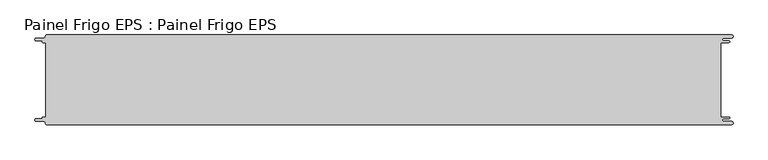
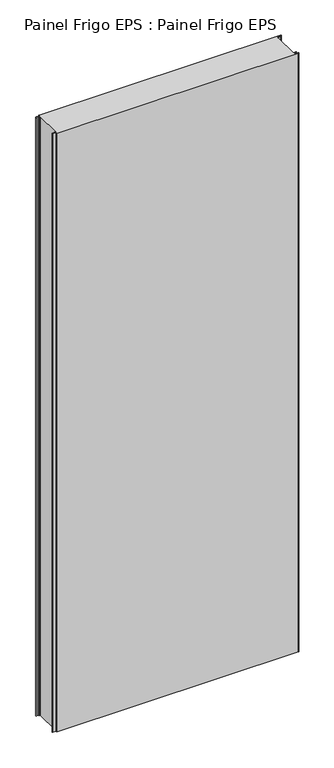
"""IFC4 building model written with IfcOpenShell, lengths in millimetres: proxy geometry, Painel Frigo EPS : Painel Frigo EPS."""

from ifc_helpers import new_model, si_unit, frame, origin, place, context, project, spatial, polyline, circle_curve, source, transform, mapped, element, save
from ifc_brep_helpers import plane_surface, cylinder_surface, revolved_surface, advanced_brep


def painel_frigo_eps_painel_frigo_eps_d40a4fad(model_context):
    return source(origin(), model_context, "Body", "AdvancedBrep", [
        advanced_brep(
        [(-579.5093748, 62.3, 3000.0), (-574.2218362, 62.3, 3000.0), (-574.2218362, -62.2999995, 3000.0), (-579.5093748, -62.2999995, 3000.0), (-580.1093753, -62.9, 3000.0), (-580.1093753, -63.7085185, 3000.0), (-581.5093753, -65.1085185, 3000.0), (-590.4875, -65.1085185, 3000.0), (-590.4875, -69.5085185, 3000.0), (-578.471875, -69.5085185, 3000.0), (-574.921875, -73.0585185, 3000.0), (-572.971875, -75.0, 3000.0), (572.284375, -75.0, 3000.0), (572.284375, -69.725, 3000.0), (559.378125, -69.725, 3000.0), (559.378125, -64.875, 3000.0), (568.0406253, -64.875, 3000.0), (568.0406253, -62.3, 3000.0), (554.1906253, -62.3, 3000.0), (554.1906253, 62.3, 3000.0), (568.0406253, 62.3, 3000.0), (568.0406253, 64.875, 3000.0), (559.378125, 64.875, 3000.0), (559.378125, 69.725, 3000.0), (572.284375, 69.725, 3000.0), (572.284375, 75.0, 3000.0), (-572.971875, 75.0, 3000.0), (-574.921875, 73.05, 3000.0), (-578.471875, 69.5085185, 3000.0), (-590.4875, 69.5085185, 3000.0), (-590.4875, 65.1085187, 3000.0), (-581.5093751, 65.1085187, 3000.0), (-580.1093748, 63.7085184, 3000.0), (-580.1093748, 62.9, 3000.0), (-579.5093748, 62.3, 0.0), (-580.1093748, 62.9, 0.0), (-580.1093748, 63.7085184, 0.0), (-581.5093751, 65.1085187, 0.0), (-590.4875, 65.1085187, 0.0), (-590.4875, 69.5085185, 0.0), (-578.471875, 69.5085185, 0.0), (-574.921875, 73.0585185, 0.0), (-572.971875, 75.0, 0.0), (572.284375, 75.0, 0.0), (572.284375, 69.725, 0.0), (559.378125, 69.725, 0.0), (559.378125, 64.875, 0.0), (568.0406253, 64.875, 0.0), (568.0406253, 62.3, 0.0), (554.1906253, 62.3, 0.0), (554.1906253, -62.3, 0.0), (568.0406253, -62.3, 0.0), (568.0406253, -64.875, 0.0), (559.378125, -64.875, 0.0), (559.378125, -69.725, 0.0), (572.284375, -69.725, 0.0), (572.284375, -75.0, 0.0), (-572.971875, -75.0, 0.0), (-574.921875, -73.05, 0.0), (-578.471875, -69.5085185, 0.0), (-590.4875, -69.5085185, 0.0), (-590.4875, -65.1085185, 0.0), (-581.5093753, -65.1085185, 0.0), (-580.1093753, -63.7085185, 0.0), (-580.1093753, -62.9, 0.0), (-579.5093748, -62.2999995, 0.0), (-574.2218362, -62.2999995, 0.0), (-574.2218362, 62.3, 0.0)],
        [
            (0, 1),
            (1, 2),
            (2, 3),
            (3, 4, circle_curve(frame((-579.5093748, -62.9, 3000.0), z_axis=(0.0, 0.0, 1.0), x_axis=(1.0, 0.0, 0.0)), 0.6000005)),
            (4, 5),
            (5, 6, circle_curve(frame((-581.5093753, -63.7085185, 3000.0), z_axis=(0.0, 0.0, -1.0), x_axis=(1.0, 0.0, 0.0)), 1.4)),
            (6, 7),
            (7, 8, circle_curve(frame((-590.4875, -67.3085185, 3000.0), z_axis=(0.0, 0.0, 1.0), x_axis=(1.0, 0.0, 0.0)), 2.2)),
            (8, 9),
            (9, 10, circle_curve(frame((-578.471875, -73.0585185, 3000.0), z_axis=(0.0, 0.0, -1.0), x_axis=(1.0, 0.0, 0.0)), 3.55)),
            (10, 11, circle_curve(frame((-572.971875, -73.05, 3000.0), z_axis=(0.0, 0.0, 1.0), x_axis=(1.0, 0.0, 0.0)), 1.95)),
            (11, 12),
            (12, 13, circle_curve(frame((572.284375, -72.3625, 3000.0), z_axis=(0.0, 0.0, 1.0), x_axis=(1.0, 0.0, 0.0)), 2.6375)),
            (13, 14),
            (14, 15, circle_curve(frame((559.378125, -67.3, 3000.0), z_axis=(0.0, 0.0, -1.0), x_axis=(1.0, 0.0, 0.0)), 2.425)),
            (15, 16),
            (16, 17, circle_curve(frame((568.0406253, -63.5875, 3000.0), z_axis=(0.0, 0.0, 1.0), x_axis=(1.0, 0.0, 0.0)), 1.2875)),
            (17, 18),
            (18, 19),
            (19, 20),
            (20, 21, circle_curve(frame((568.0406253, 63.5875, 3000.0), z_axis=(0.0, 0.0, 1.0), x_axis=(1.0, 0.0, 0.0)), 1.2875)),
            (21, 22),
            (22, 23, circle_curve(frame((559.378125, 67.3, 3000.0), z_axis=(0.0, 0.0, -1.0), x_axis=(1.0, 0.0, 0.0)), 2.425)),
            (23, 24),
            (24, 25, circle_curve(frame((572.284375, 72.3625, 3000.0), z_axis=(0.0, 0.0, 1.0), x_axis=(1.0, 0.0, 0.0)), 2.6375)),
            (25, 26),
            (26, 27, circle_curve(frame((-572.971875, 73.05, 3000.0), z_axis=(0.0, 0.0, 1.0), x_axis=(1.0, 0.0, 0.0)), 1.95)),
            (27, 28, circle_curve(frame((-578.471875, 73.0585185, 3000.0), z_axis=(0.0, 0.0, -1.0), x_axis=(1.0, 0.0, 0.0)), 3.55)),
            (28, 29),
            (29, 30, circle_curve(frame((-590.4875, 67.3085186, 3000.0), z_axis=(0.0, 0.0, 1.0), x_axis=(1.0, 0.0, 0.0)), 2.1999999)),
            (30, 31),
            (31, 32, circle_curve(frame((-581.5093751, 63.7085184, 3000.0), z_axis=(0.0, 0.0, -1.0), x_axis=(1.0, 0.0, 0.0)), 1.4000003)),
            (32, 33),
            (33, 0, circle_curve(frame((-579.5093748, 62.9, 3000.0), z_axis=(0.0, 0.0, 1.0), x_axis=(1.0, 0.0, 0.0)), 0.6)),
            (34, 35, circle_curve(frame((-579.5093748, 62.9, 0.0), z_axis=(0.0, 0.0, -1.0), x_axis=(1.0, 0.0, 0.0)), 0.6)),
            (35, 36),
            (36, 37, circle_curve(frame((-581.5093751, 63.7085184, 0.0), z_axis=(0.0, 0.0, 1.0), x_axis=(1.0, 0.0, 0.0)), 1.4000003)),
            (37, 38),
            (38, 39, circle_curve(frame((-590.4875, 67.3085186, 0.0), z_axis=(0.0, 0.0, -1.0), x_axis=(1.0, 0.0, 0.0)), 2.1999999)),
            (39, 40),
            (40, 41, circle_curve(frame((-578.471875, 73.0585185, 0.0), z_axis=(0.0, 0.0, 1.0), x_axis=(1.0, 0.0, 0.0)), 3.55)),
            (41, 42, circle_curve(frame((-572.971875, 73.05, 0.0), z_axis=(0.0, 0.0, -1.0), x_axis=(1.0, 0.0, 0.0)), 1.95)),
            (42, 43),
            (43, 44, circle_curve(frame((572.284375, 72.3625, 0.0), z_axis=(0.0, 0.0, -1.0), x_axis=(1.0, 0.0, 0.0)), 2.6375)),
            (44, 45),
            (45, 46, circle_curve(frame((559.378125, 67.3, 0.0), z_axis=(0.0, 0.0, 1.0), x_axis=(1.0, 0.0, 0.0)), 2.425)),
            (46, 47),
            (47, 48, circle_curve(frame((568.0406253, 63.5875, 0.0), z_axis=(0.0, 0.0, -1.0), x_axis=(1.0, 0.0, 0.0)), 1.2875)),
            (48, 49),
            (49, 50),
            (50, 51),
            (51, 52, circle_curve(frame((568.0406253, -63.5875, 0.0), z_axis=(0.0, 0.0, -1.0), x_axis=(1.0, 0.0, 0.0)), 1.2875)),
            (52, 53),
            (53, 54, circle_curve(frame((559.378125, -67.3, 0.0), z_axis=(0.0, 0.0, 1.0), x_axis=(1.0, 0.0, 0.0)), 2.425)),
            (54, 55),
            (55, 56, circle_curve(frame((572.284375, -72.3625, 0.0), z_axis=(0.0, 0.0, -1.0), x_axis=(1.0, 0.0, 0.0)), 2.6375)),
            (56, 57),
            (57, 58, circle_curve(frame((-572.971875, -73.05, 0.0), z_axis=(0.0, 0.0, -1.0), x_axis=(1.0, 0.0, 0.0)), 1.95)),
            (58, 59, circle_curve(frame((-578.471875, -73.0585185, 0.0), z_axis=(0.0, 0.0, 1.0), x_axis=(1.0, 0.0, 0.0)), 3.55)),
            (59, 60),
            (60, 61, circle_curve(frame((-590.4875, -67.3085185, 0.0), z_axis=(0.0, 0.0, -1.0), x_axis=(1.0, 0.0, 0.0)), 2.2)),
            (61, 62),
            (62, 63, circle_curve(frame((-581.5093753, -63.7085185, 0.0), z_axis=(0.0, 0.0, 1.0), x_axis=(1.0, 0.0, 0.0)), 1.4)),
            (63, 64),
            (64, 65, circle_curve(frame((-579.5093748, -62.9, 0.0), z_axis=(0.0, 0.0, -1.0), x_axis=(1.0, 0.0, 0.0)), 0.6000005)),
            (65, 66),
            (66, 67),
            (67, 34),
            (11, 57),
            (56, 12),
            (25, 43),
            (42, 26),
            (0, 34),
            (67, 1),
            (66, 2),
            (65, 3),
            (64, 4),
            (63, 5),
            (62, 6),
            (61, 7),
            (60, 8),
            (59, 9),
            (58, 10),
            (18, 50),
            (49, 19),
            (48, 20),
            (47, 21),
            (46, 22),
            (45, 23),
            (44, 24),
            (41, 27),
            (40, 28),
            (39, 29),
            (38, 30),
            (37, 31),
            (36, 32),
            (35, 33),
            (55, 13),
            (54, 14),
            (53, 15),
            (52, 16),
            (51, 17),
        ],
        [
            plane_surface(frame((-574.2218362, 62.3, 3000.0), z_axis=(0.0, 0.0, 1.0), x_axis=(1.0, 0.0, 0.0))),
            plane_surface(frame((-574.2218362, 62.3, 0.0), z_axis=(0.0, 0.0, -1.0), x_axis=(-1.0, 0.0, 0.0))),
            plane_surface(frame((-572.971875, -75.0, 3000.0), z_axis=(0.0, -1.0, 0.0), x_axis=(0.0, 0.0, -1.0))),
            plane_surface(frame((572.284375, 75.0, 3000.0), z_axis=(0.0, 1.0, 0.0), x_axis=(0.0, 0.0, -1.0))),
            plane_surface(frame((-579.5093748, 62.3, 3000.0), z_axis=(0.0, -1.0, 0.0), x_axis=(0.0, 0.0, -1.0))),
            plane_surface(frame((-574.2218362, 62.3, 3000.0), z_axis=(-1.0, 0.0, 0.0), x_axis=(0.0, 0.0, -1.0))),
            plane_surface(frame((-574.2218362, -62.2999995, 3000.0), z_axis=(0.0, 1.0, 0.0), x_axis=(0.0, 0.0, -1.0))),
            cylinder_surface(frame((-579.5093748, -62.9, 0.0), z_axis=(0.0, 0.0, 1.0), x_axis=(1.0, 0.0, 0.0)), 0.6000005),
            plane_surface(frame((-580.1093753, -62.9, 3000.0), z_axis=(-1.0, 1.757860866232952e-12, 0.0), x_axis=(0.0, 0.0, -1.0))),
            revolved_surface(polyline([(-580.1093753, -63.7085185, 0.0), (-580.1093753, -63.7085185, 3000.0)]), (-581.5093753, -63.7085185, 0.0), (0.0, 0.0, -1.0)),
            plane_surface(frame((-581.5093753, -65.1085185, 3000.0), z_axis=(0.0, 1.0, 0.0), x_axis=(0.0, 0.0, -1.0))),
            cylinder_surface(frame((-590.4875, -67.3085185, 0.0), z_axis=(0.0, 0.0, 1.0), x_axis=(1.0, 0.0, 0.0)), 2.2),
            plane_surface(frame((-590.4875, -69.5085185, 3000.0), z_axis=(0.0, -1.0, 0.0), x_axis=(0.0, 0.0, -1.0))),
            revolved_surface(polyline([(-574.921875, -73.0585185, 0.0), (-574.921875, -73.0585185, 3000.0)]), (-578.471875, -73.0585185, 0.0), (0.0, 0.0, -1.0)),
            cylinder_surface(frame((-572.971875, -73.05, 0.0), z_axis=(0.0, 0.0, 1.0), x_axis=(1.0, 0.0, 0.0)), 1.95),
            plane_surface(frame((554.1906253, -62.3, 3000.0), z_axis=(1.0, 0.0, 0.0), x_axis=(0.0, 0.0, -1.0))),
            plane_surface(frame((554.1906253, 62.3, 3000.0), z_axis=(0.0, -1.0, 0.0), x_axis=(0.0, 0.0, -1.0))),
            cylinder_surface(frame((568.0406253, 63.5875, 0.0), z_axis=(0.0, 0.0, 1.0), x_axis=(1.0, 0.0, 0.0)), 1.2875),
            plane_surface(frame((568.0406253, 64.875, 3000.0), z_axis=(0.0, 1.0, 0.0), x_axis=(0.0, 0.0, -1.0))),
            revolved_surface(polyline([(561.8031249999999, 67.3, 0.0), (561.8031249999999, 67.3, 3000.0)]), (559.378125, 67.3, 0.0), (0.0, 0.0, -1.0)),
            plane_surface(frame((559.378125, 69.725, 3000.0), z_axis=(0.0, -1.0, 0.0), x_axis=(0.0, 0.0, -1.0))),
            cylinder_surface(frame((572.284375, 72.3625, 0.0), z_axis=(0.0, 0.0, 1.0), x_axis=(1.0, 0.0, 0.0)), 2.6375),
            cylinder_surface(frame((-572.971875, 73.05, 0.0), z_axis=(0.0, 0.0, 1.0), x_axis=(1.0, 0.0, 0.0)), 1.95),
            revolved_surface(polyline([(-574.921875, 73.0585185, 0.0), (-574.921875, 73.0585185, 3000.0)]), (-578.471875, 73.0585185, 0.0), (0.0, 0.0, -1.0)),
            plane_surface(frame((-578.471875, 69.5085185, 3000.0), z_axis=(0.0, 1.0, 0.0), x_axis=(0.0, 0.0, -1.0))),
            cylinder_surface(frame((-590.4875, 67.3085186, 0.0), z_axis=(0.0, 0.0, 1.0), x_axis=(1.0, 0.0, 0.0)), 2.1999999),
            plane_surface(frame((-590.4875, 65.1085187, 3000.0), z_axis=(0.0, -1.0, 0.0), x_axis=(0.0, 0.0, -1.0))),
            revolved_surface(polyline([(-580.1093748000001, 63.7085184, 0.0), (-580.1093748000001, 63.7085184, 3000.0)]), (-581.5093751, 63.7085184, 0.0), (0.0, 0.0, -1.0)),
            plane_surface(frame((-580.1093748, 63.7085184, 3000.0), z_axis=(-1.0, 0.0, 0.0), x_axis=(0.0, 0.0, -1.0))),
            cylinder_surface(frame((-579.5093748, 62.9, 0.0), z_axis=(0.0, 0.0, 1.0), x_axis=(1.0, 0.0, 0.0)), 0.6),
            cylinder_surface(frame((572.284375, -72.3625, 0.0), z_axis=(0.0, 0.0, 1.0), x_axis=(1.0, 0.0, 0.0)), 2.6375),
            plane_surface(frame((572.284375, -69.725, 3000.0), z_axis=(0.0, 1.0, 0.0), x_axis=(0.0, 0.0, -1.0))),
            revolved_surface(polyline([(561.8031249999999, -67.3, 0.0), (561.8031249999999, -67.3, 3000.0)]), (559.378125, -67.3, 0.0), (0.0, 0.0, -1.0)),
            plane_surface(frame((559.378125, -64.875, 3000.0), z_axis=(0.0, -1.0, 0.0), x_axis=(0.0, 0.0, -1.0))),
            cylinder_surface(frame((568.0406253, -63.5875, 0.0), z_axis=(0.0, 0.0, 1.0), x_axis=(1.0, 0.0, 0.0)), 1.2875),
            plane_surface(frame((568.0406253, -62.3, 3000.0), z_axis=(0.0, 1.0, 0.0), x_axis=(0.0, 0.0, -1.0))),
        ],
        [
            (0, [[1, 2, 3, 4, 5, 6, 7, 8, 9, 10, 11, 12, 13, 14, 15, 16, 17, 18, 19, 20, 21, 22, 23, 24, 25, 26, 27, 28, 29, 30, 31, 32, 33, 34]]),
            (1, [[35, 36, 37, 38, 39, 40, 41, 42, 43, 44, 45, 46, 47, 48, 49, 50, 51, 52, 53, 54, 55, 56, 57, 58, 59, 60, 61, 62, 63, 64, 65, 66, 67, 68]]),
            (2, [[-12, 69, -57, 70]]),
            (3, [[-26, 71, -43, 72]]),
            (4, [[-1, 73, -68, 74]]),
            (5, [[-2, -74, -67, 75]]),
            (6, [[-3, -75, -66, 76]]),
            (7, [[-4, -76, -65, 77]]),
            (8, [[-5, -77, -64, 78]]),
            (9, [[-6, -78, -63, 79]]),
            (10, [[-7, -79, -62, 80]]),
            (11, [[-8, -80, -61, 81]]),
            (12, [[-9, -81, -60, 82]]),
            (13, [[-10, -82, -59, 83]]),
            (14, [[-11, -83, -58, -69]]),
            (15, [[-19, 84, -50, 85]]),
            (16, [[-20, -85, -49, 86]]),
            (17, [[-21, -86, -48, 87]]),
            (18, [[-22, -87, -47, 88]]),
            (19, [[-23, -88, -46, 89]]),
            (20, [[-24, -89, -45, 90]]),
            (21, [[-25, -90, -44, -71]]),
            (22, [[-27, -72, -42, 91]]),
            (23, [[-28, -91, -41, 92]]),
            (24, [[-29, -92, -40, 93]]),
            (25, [[-30, -93, -39, 94]]),
            (26, [[-31, -94, -38, 95]]),
            (27, [[-32, -95, -37, 96]]),
            (28, [[-33, -96, -36, 97]]),
            (29, [[-34, -97, -35, -73]]),
            (30, [[-13, -70, -56, 98]]),
            (31, [[-14, -98, -55, 99]]),
            (32, [[-15, -99, -54, 100]]),
            (33, [[-16, -100, -53, 101]]),
            (34, [[-17, -101, -52, 102]]),
            (35, [[-18, -102, -51, -84]]),
        ],
    ),
    ])


if __name__ == "__main__":
    model = new_model("IFC4")
    model_context = context("Model", 3, world=origin())
    ifc_project = project(units=[si_unit("LENGTHUNIT", "METRE", prefix="MILLI")], contexts=[model_context])
    site = spatial("IfcSite", under=ifc_project)
    building = spatial("IfcBuilding", under=site)
    placement = place(None, origin())
    painel_frigo_eps_painel_frigo_eps_shape = painel_frigo_eps_painel_frigo_eps_d40a4fad(model_context)
    element("IfcBuildingElementProxy", 1, Name="Painel Frigo EPS : Painel Frigo EPS", ObjectType="Painel Frigo EPS : Painel Frigo EPS", at=placement, inside=building, context=model_context, shape_type="MappedRepresentation", body=[
        mapped(painel_frigo_eps_painel_frigo_eps_shape, transform((0.0, 0.0, 0.0), x_axis=(1.0, 0.0, 0.0), y_axis=(0.0, 1.0, 0.0), z_axis=(0.0, 0.0, 1.0))),
    ])
    save(model, "model.ifc")
